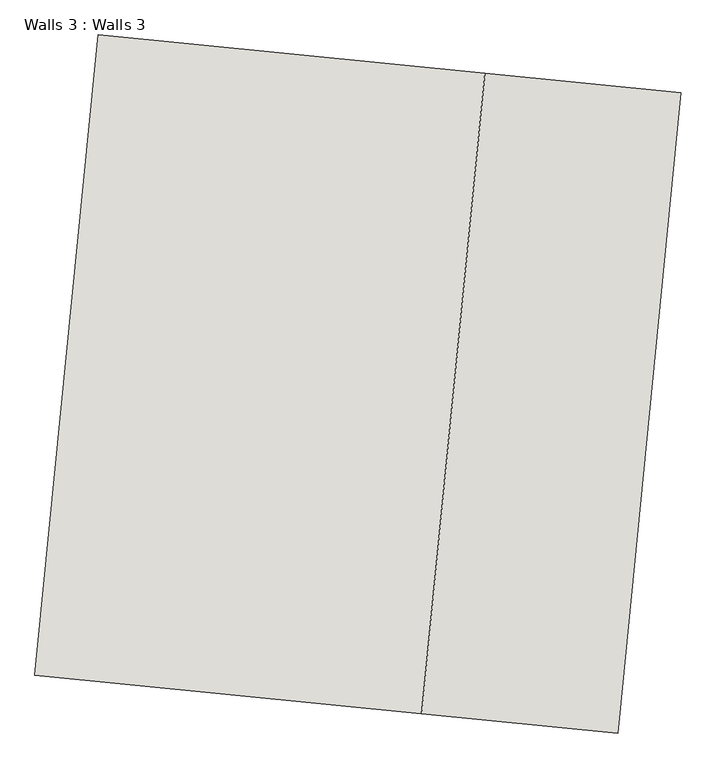
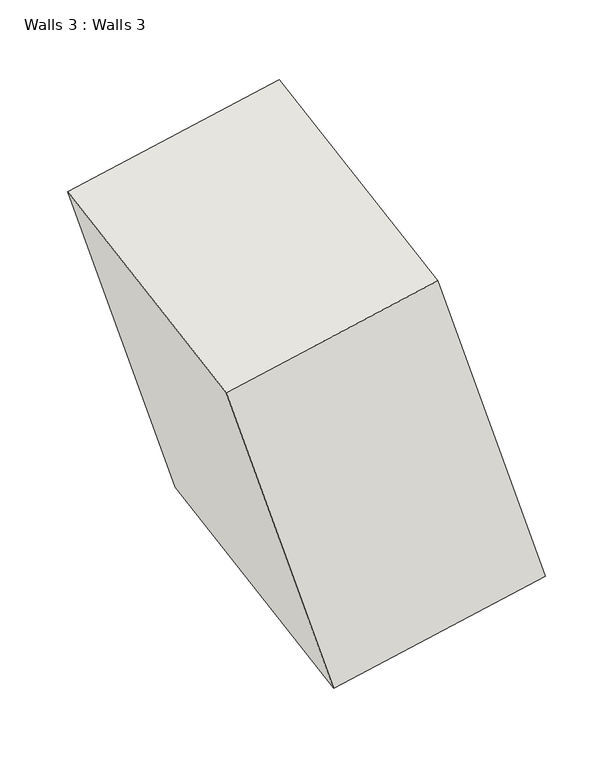
"""IFC4 building model written with IfcOpenShell, lengths in millimetres: wall geometry, Walls 3 : Walls 3."""

from ifc_helpers import new_model, si_unit, frame, origin, place, context, project, spatial, polyline, outline, extrude, source, transform, mapped, element, save


def walls_3_walls_3_e2961328(model_context):
    return source(origin(), model_context, "Body", "SweptSolid", [
        extrude(outline(polyline([(0.0, -1400.0), (0.0, 0.0), (882.8158918, 0.0), (882.8158917, -1400.0), (0.0, -1400.0)])), frame((4834.510428, -410.3873254, 1606.794229), z_axis=(-0.2846812475925818, 0.02813963319603516, 0.9582091359994038), x_axis=(-0.95356204533479, 0.09425589641850367, -0.2860686136004372)), (0.0, 0.0, 1.0), 1500.0),
    ])


if __name__ == "__main__":
    model = new_model("IFC4")
    model_context = context("Model", 3, world=origin())
    ifc_project = project(units=[si_unit("LENGTHUNIT", "METRE", prefix="MILLI")], contexts=[model_context])
    site = spatial("IfcSite", under=ifc_project)
    building = spatial("IfcBuilding", under=site)
    placement = place(None, origin())
    walls_3_walls_3_shape = walls_3_walls_3_e2961328(model_context)
    element("IfcWall", 1, ObjectType="Walls 3 : Walls 3", at=placement, inside=building, context=model_context, shape_type="MappedRepresentation", body=[
        mapped(walls_3_walls_3_shape, transform((0.0, 0.0, 0.0), x_axis=(1.0, 0.0, 0.0), y_axis=(0.0, 1.0, 0.0), z_axis=(0.0, 0.0, 1.0))),
    ])
    save(model, "model.ifc")
